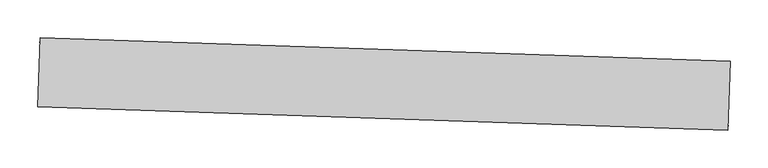
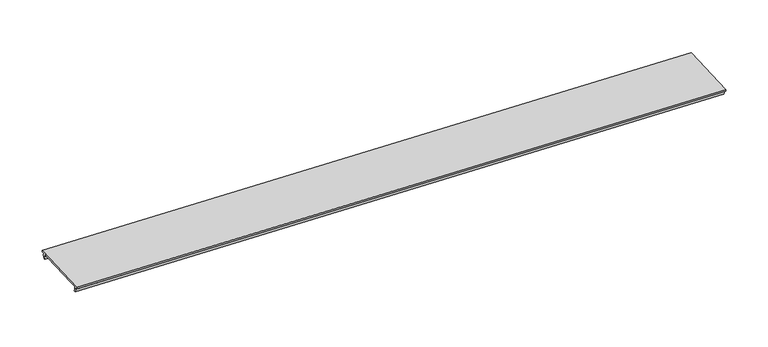
"""IFC4 building model written with IfcOpenShell, lengths in millimetres: proxy geometry."""

from ifc_helpers import new_model, si_unit, frame, origin, place, context, project, spatial, polyline, outline, extrude, source, transform, mapped, element, save


def generic_models_82e77023(model_context):
    return source(origin(), model_context, "Body", "SweptSolid", [
        extrude(outline(polyline([(0.0, 0.0), (5.8656954, 0.0), (5.8658291, -1.778254), (2.8372802, -1.7752513), (1.9827602, -2.84759), (-0.9052121, -3.8989716), (2.1033459, -12.1632026), (23.2847757, -70.3451047), (26.1173983, -78.125853), (29.5684894, -77.2252692), (30.3454576, -77.3356879), (32.6667133, -75.3958729), (33.8098553, -76.7580086), (29.3170384, -80.5290799), (28.7783139, -79.0492924), (26.7257054, -79.7965554), (28.2028532, -83.8540372), (26.2934496, -84.5491657), (-4.9000004, 1.1341096), (-2.9905972, 1.829238), (-1.5134495, -2.2282438), (0.5387245, -1.4797875), (0.0, 0.0)])), frame((34352.6865101, -15525.6803935, 2882.8091364), z_axis=(-0.9994149475907447, 0.03420179135936193, 0.0), x_axis=(0.01170011546663511, 0.3418905800255478, -0.9396669296021128)), (0.0, 0.0, 1.0), 914.4),
    ])


if __name__ == "__main__":
    model = new_model("IFC4")
    model_context = context("Model", 3, world=origin())
    ifc_project = project(units=[si_unit("LENGTHUNIT", "METRE", prefix="MILLI")], contexts=[model_context])
    site = spatial("IfcSite", under=ifc_project)
    building = spatial("IfcBuilding", under=site)
    placement = place(None, origin())
    generic_models_shape = generic_models_82e77023(model_context)
    element("IfcBuildingElementProxy", 1, Name="Generic Models", at=placement, inside=building, context=model_context, shape_type="MappedRepresentation", body=[
        mapped(generic_models_shape, transform((0.0, 0.0, 0.0), x_axis=(1.0, 0.0, 0.0), y_axis=(0.0, 1.0, 0.0), z_axis=(0.0, 0.0, 1.0))),
    ])
    save(model, "model.ifc")
